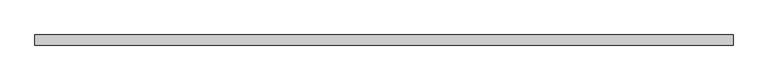
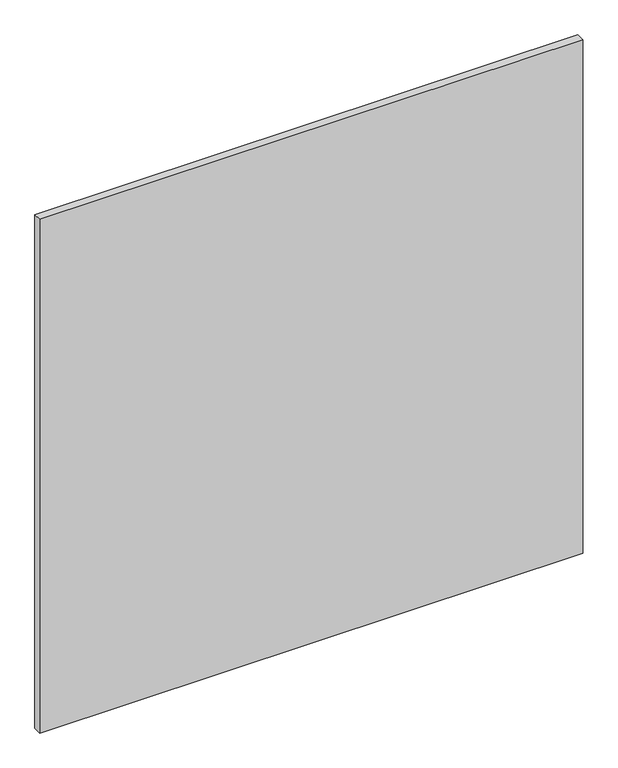
"""IFC4 building model written with IfcOpenShell, lengths in millimetres: plate geometry."""

from ifc_helpers import new_model, si_unit, origin, origin_with_axes, place, context, project, spatial, polyline, outline, extrude, source, transform, mapped, element, save


def plate_6b6f4fe7(model_context):
    return source(origin(), model_context, "Body", "SweptSolid", [
        extrude(outline(polyline([(660.0, 20.0), (-660.0, 20.0), (-660.0, 40.0), (660.0, 40.0), (660.0, 20.0)])), origin_with_axes(), (0.0, 0.0, 1.0), 1320.0),
    ])


if __name__ == "__main__":
    model = new_model("IFC4")
    model_context = context("Model", 3, world=origin())
    ifc_project = project(units=[si_unit("LENGTHUNIT", "METRE", prefix="MILLI")], contexts=[model_context])
    site = spatial("IfcSite", under=ifc_project)
    building = spatial("IfcBuilding", under=site)
    placement = place(None, origin())
    plate_shape = plate_6b6f4fe7(model_context)
    element("IfcPlate", 1, at=placement, inside=building, context=model_context, shape_type="MappedRepresentation", body=[
        mapped(plate_shape, transform((0.0, 0.0, 0.0), x_axis=(1.0, 0.0, 0.0), y_axis=(0.0, 1.0, 0.0), z_axis=(0.0, 0.0, 1.0))),
    ])
    save(model, "model.ifc")
